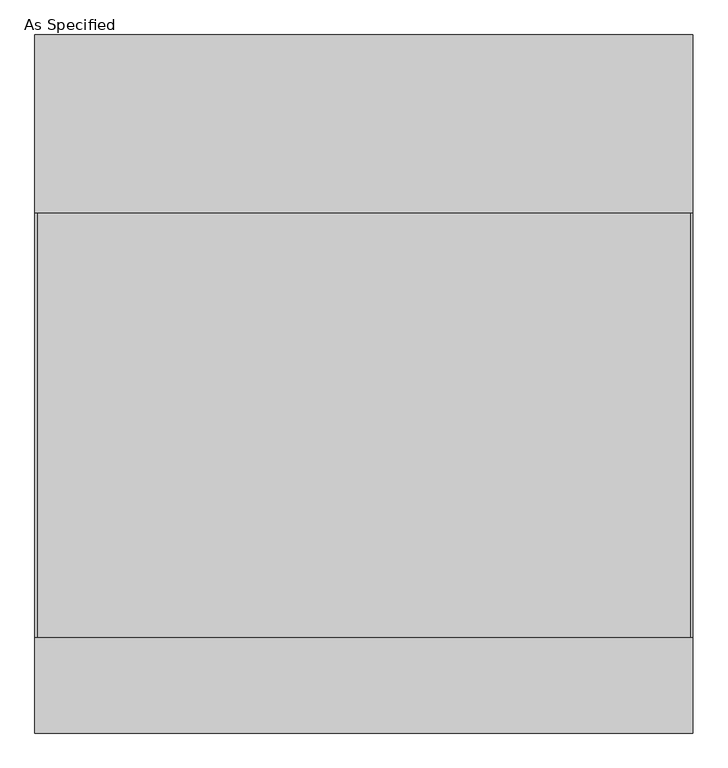
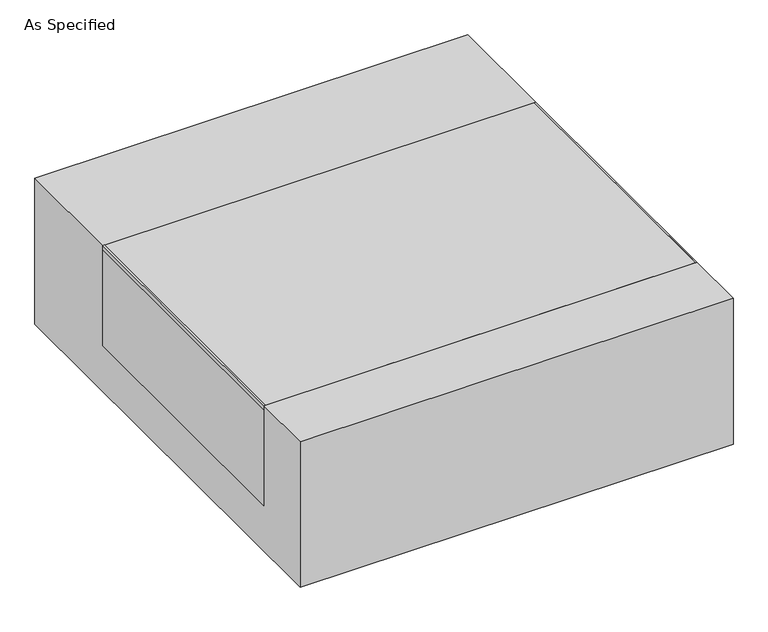
"""IFC4 building model written with IfcOpenShell, lengths in millimetres: proxy geometry, As Specified."""

from ifc_helpers import new_model, si_unit, point, frame, frame_2d, origin, place, context, project, spatial, polyline, circle_curve, trimmed, segment, composite_curve, outline, extrude, source, transform, mapped, element, save


def as_specified_48223bcf(model_context):
    return source(origin(), model_context, "Body", "SweptSolid", [
        extrude(outline(composite_curve([segment(trimmed(circle_curve(frame_2d((389.6125, -702.475)), 10.5), [point((389.6125, -712.975))], [point((389.6125, -691.975))], False, "CARTESIAN"), True, "CONTINUOUS"), segment(trimmed(circle_curve(frame_2d((389.6125, -702.475)), 10.5), [point((389.6125, -691.975))], [point((389.6125, -712.975))], False, "CARTESIAN"), True, "CONTINUOUS")], self_intersect=False)), frame((0.0, 0.0, -562.225), z_axis=(0.0, 0.0, 1.0), x_axis=(1.0, 0.0, 0.0)), (0.0, 0.0, 1.0), 32.0),
        extrude(outline(polyline([(-704.05625, -546.1), (-709.6125, -546.1), (-709.6125, 368.3), (-704.05625, 368.3), (-704.05625, -546.1)])), frame((0.0, 0.0, -39.6875), z_axis=(0.0, 0.0, 1.0), x_axis=(1.0, 0.0, 0.0)), (0.0, 0.0, 1.0), 14.2875),
        extrude(outline(polyline([(705.64375, 368.3), (709.6125, 368.3), (709.6125, -546.1), (705.64375, -546.1), (705.64375, 368.3)])), frame((0.0, 0.0, -39.6875), z_axis=(0.0, 0.0, 1.0), x_axis=(1.0, 0.0, 0.0)), (0.0, 0.0, 1.0), 14.2875),
        extrude(outline(polyline([(709.6125, 368.3), (709.6125, -546.1), (-709.6125, -546.1), (-709.6125, 368.3), (709.6125, 368.3)])), frame((0.0, 0.0, -373.0625), z_axis=(0.0, 0.0, 1.0), x_axis=(1.0, 0.0, 0.0)), (0.0, 0.0, 1.0), 347.6625),
        extrude(outline(polyline([(752.475, -25.4), (752.475, -530.225), (-752.475, -530.225), (-752.475, -25.4), (-546.1, -25.4), (-546.1, -373.0625), (368.3, -373.0625), (368.3, -25.4), (752.475, -25.4)])), frame((-709.6125, 0.0, 0.0), z_axis=(1.0, 0.0, 0.0), x_axis=(0.0, 1.0, 0.0)), (0.0, 0.0, 1.0), 1419.225),
    ])


if __name__ == "__main__":
    model = new_model("IFC4")
    model_context = context("Model", 3, world=origin())
    ifc_project = project(units=[si_unit("LENGTHUNIT", "METRE", prefix="MILLI")], contexts=[model_context])
    site = spatial("IfcSite", under=ifc_project)
    building = spatial("IfcBuilding", under=site)
    placement = place(None, origin())
    as_specified_shape = as_specified_48223bcf(model_context)
    element("IfcBuildingElementProxy", 1, Name="As Specified", ObjectType="As Specified", at=placement, inside=building, context=model_context, shape_type="MappedRepresentation", body=[
        mapped(as_specified_shape, transform((0.0, 0.0, 0.0), x_axis=(1.0, 0.0, 0.0), y_axis=(0.0, 1.0, 0.0), z_axis=(0.0, 0.0, 1.0))),
    ])
    save(model, "model.ifc")
